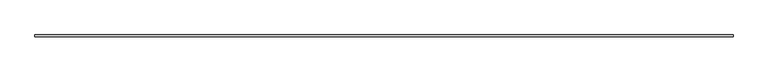
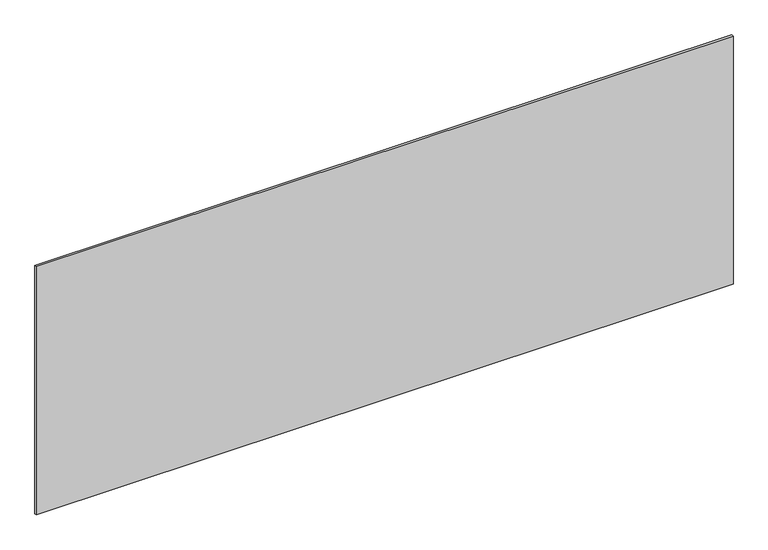
"""IFC4 building model written with IfcOpenShell, lengths in millimetres: plate geometry."""

from ifc_helpers import new_model, si_unit, origin, origin_with_axes, place, context, project, spatial, polyline, outline, extrude, source, transform, mapped, element, save


def plate_61a0db6e(model_context):
    return source(origin(), model_context, "Body", "SweptSolid", [
        extrude(outline(polyline([(1715.0, -5.0), (-1715.0, -5.0), (-1715.0, 5.0), (1715.0, 5.0), (1715.0, -5.0)])), origin_with_axes(), (0.0, 0.0, 1.0), 1292.4387729),
    ])


if __name__ == "__main__":
    model = new_model("IFC4")
    model_context = context("Model", 3, world=origin())
    ifc_project = project(units=[si_unit("LENGTHUNIT", "METRE", prefix="MILLI")], contexts=[model_context])
    site = spatial("IfcSite", under=ifc_project)
    building = spatial("IfcBuilding", under=site)
    placement = place(None, origin())
    plate_shape = plate_61a0db6e(model_context)
    element("IfcPlate", 1, at=placement, inside=building, context=model_context, shape_type="MappedRepresentation", body=[
        mapped(plate_shape, transform((0.0, 0.0, 0.0), x_axis=(1.0, 0.0, 0.0), y_axis=(0.0, 1.0, 0.0), z_axis=(0.0, 0.0, 1.0))),
    ])
    save(model, "model.ifc")
